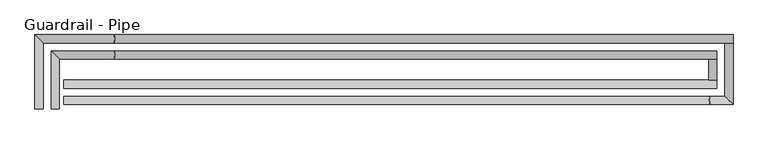
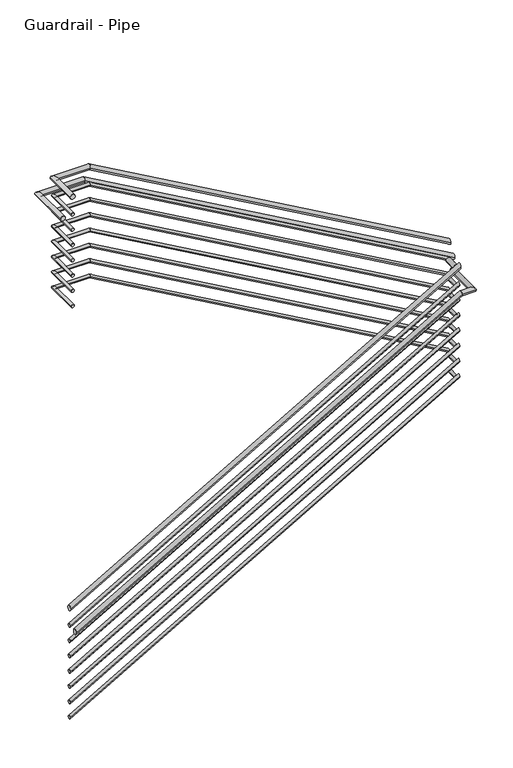
"""IFC4 building model written with IfcOpenShell, lengths in millimetres: railing geometry, Guardrail - Pipe."""

from ifc_helpers import new_model, si_unit, frame, origin, place, context, project, spatial, circle_curve, ellipse_curve, source, transform, mapped, element, save
from ifc_brep_helpers import plane_surface, cylinder_surface, advanced_brep


def guardrail_pipe_29f4b215(model_context):
    return source(origin(), model_context, "Body", "AdvancedBrep", [
        advanced_brep(
        [(2655.3404629, -22606.8340928, 1047.75), (2693.4404629, -22606.8340928, 1047.75), (2655.3404629, -22333.7840928, 1047.75), (2693.4404629, -22371.8840928, 1047.75), (2948.7488348, -22333.7840928, 1047.75), (2948.7488348, -22371.8840928, 1047.75), (5782.5952881, -22333.7840928, -565.1902738), (5782.5952881, -22371.8840928, -565.1902738)],
        [
            (0, 1, circle_curve(frame((2674.3904629, -22606.8340928, 1047.75), z_axis=(0.0, -1.0, 0.0), x_axis=(1.0, 0.0, 0.0)), 19.05)),
            (1, 0, circle_curve(frame((2674.3904629, -22606.8340928, 1047.75), z_axis=(0.0, -1.0, 0.0), x_axis=(1.0, 0.0, 0.0)), 19.05)),
            (0, 2),
            (2, 3, ellipse_curve(frame((2674.3904629, -22352.8340928, 1047.75), z_axis=(-0.7071067811865462, -0.7071067811865488, 0.0), x_axis=(0.7071067811865488, -0.7071067811865462, 0.0)), 26.9407684, 19.05)),
            (3, 1),
            (3, 2, ellipse_curve(frame((2674.3904629, -22352.8340928, 1047.75), z_axis=(-0.7071067811865462, -0.7071067811865488, 0.0), x_axis=(0.7071067811865488, -0.7071067811865462, 0.0)), 26.9407684, 19.05)),
            (2, 4),
            (4, 5, ellipse_curve(frame((2948.7488348, -22352.8340928, 1047.75), z_axis=(-0.9667180176221513, 0.0, 0.2558442385606876), x_axis=(-0.2558442385606876, 0.0, -0.9667180176221513)), 19.7058497, 19.05)),
            (5, 3),
            (5, 4, ellipse_curve(frame((2948.7488348, -22352.8340928, 1047.75), z_axis=(-0.9667180176221513, 0.0, 0.2558442385606876), x_axis=(-0.2558442385606876, 0.0, -0.9667180176221513)), 19.7058497, 19.05)),
            (6, 7, ellipse_curve(frame((5782.5952881, -22352.8340928, -565.1902738), z_axis=(1.0, 0.0, 0.0), x_axis=(0.0, 0.0, 1.0)), 21.9195433, 19.05)),
            (7, 6, ellipse_curve(frame((5782.5952881, -22352.8340928, -565.1902738), z_axis=(1.0, 0.0, 0.0), x_axis=(0.0, 0.0, 1.0)), 21.9195433, 19.05)),
            (4, 6),
            (7, 5),
        ],
        [
            plane_surface(frame((2674.3904629, -22606.8340928, 1066.8), z_axis=(0.0, -1.0, 0.0), x_axis=(0.0, 0.0, 1.0))),
            cylinder_surface(frame((2674.3904629, -22606.8340928, 1047.75), z_axis=(0.0, -1.0, 0.0), x_axis=(1.0, 0.0, 0.0)), 19.05),
            cylinder_surface(frame((2674.3904629, -22352.8340928, 1047.75), z_axis=(-1.0, 0.0, 0.0), x_axis=(0.0, -1.0, 0.0)), 19.05),
            plane_surface(frame((5782.5952881, -22352.8340928, -543.2707305), z_axis=(1.0, 0.0, 0.0), x_axis=(0.0, 1.0, 0.0))),
            cylinder_surface(frame((2944.367219, -22352.8340928, 1050.2438841), z_axis=(-0.8690874511906039, 0.0, 0.4946584702428734), x_axis=(0.0, -1.0, 0.0)), 19.05),
        ],
        [
            (0, [[1, 2]]),
            (1, [[-1, 3, 4, 5]]),
            (1, [[-2, -5, 6, -3]]),
            (2, [[-4, 7, 8, 9]]),
            (2, [[-6, -9, 10, -7]]),
            (3, [[11, 12]]),
            (4, [[-8, 13, -12, 14]]),
            (4, [[-10, -14, -11, -13]]),
        ],
    ),
        advanced_brep(
        [(5782.5952881, -22371.8840928, -701.5369565), (5744.4952881, -22371.8840928, -701.5369565), (5782.5952881, -22470.9587769, -701.5369565), (5744.4952881, -22470.9587769, -701.5369565)],
        [
            (0, 1, circle_curve(frame((5763.5452881, -22371.8840928, -701.5369565), z_axis=(0.0, 1.0, 0.0), x_axis=(-1.0, 0.0, 0.0)), 19.05)),
            (1, 0, circle_curve(frame((5763.5452881, -22371.8840928, -701.5369565), z_axis=(0.0, 1.0, 0.0), x_axis=(-1.0, 0.0, 0.0)), 19.05)),
            (2, 3, circle_curve(frame((5763.5452881, -22470.9587769, -701.5369565), z_axis=(0.0, -1.0, 0.0), x_axis=(-1.0, 0.0, 0.0)), 19.05)),
            (3, 2, circle_curve(frame((5763.5452881, -22470.9587769, -701.5369565), z_axis=(0.0, -1.0, 0.0), x_axis=(-1.0, 0.0, 0.0)), 19.05)),
            (0, 2),
            (3, 1),
        ],
        [
            plane_surface(frame((5763.5452881, -22371.8840928, -682.4869565), z_axis=(0.0, 1.0, 0.0), x_axis=(0.0, 0.0, -1.0))),
            plane_surface(frame((5763.5452881, -22470.9587769, -682.4869565), z_axis=(0.0, -1.0, 0.0), x_axis=(0.0, 0.0, -1.0))),
            cylinder_surface(frame((5763.5452881, -22371.8840928, -701.5369565), z_axis=(0.0, 1.0, 0.0), x_axis=(-1.0, 0.0, 0.0)), 19.05),
        ],
        [
            (0, [[1, 2]]),
            (1, [[3, 4]]),
            (2, [[-1, 5, -4, 6]]),
            (2, [[-2, -6, -3, -5]]),
        ],
    ),
        advanced_brep(
        [(5782.5952881, -22509.0587769, -684.400938), (5782.5952881, -22470.9587769, -684.400938), (2715.5452881, -22509.0587769, -2453.7666228), (2715.5452881, -22470.9587769, -2453.7666228)],
        [
            (0, 1, ellipse_curve(frame((5782.5952881, -22490.0087769, -684.400938), z_axis=(1.0, 0.0, 0.0), x_axis=(0.0, 0.0, 1.0)), 21.9927097, 19.05)),
            (1, 0, ellipse_curve(frame((5782.5952881, -22490.0087769, -684.400938), z_axis=(1.0, 0.0, 0.0), x_axis=(0.0, 0.0, 1.0)), 21.9927097, 19.05)),
            (2, 3, ellipse_curve(frame((2715.5452881, -22490.0087769, -2453.7666228), z_axis=(-1.0, 0.0, 0.0), x_axis=(0.0, 0.0, 1.0)), 21.9927097, 19.05)),
            (3, 2, ellipse_curve(frame((2715.5452881, -22490.0087769, -2453.7666228), z_axis=(-1.0, 0.0, 0.0), x_axis=(0.0, 0.0, 1.0)), 21.9927097, 19.05)),
            (0, 2),
            (3, 1),
        ],
        [
            plane_surface(frame((5782.5952881, -22490.0087769, -662.4082283), z_axis=(1.0, 0.0, 0.0), x_axis=(0.0, -1.0, 0.0))),
            plane_surface(frame((2715.5452881, -22490.0087769, -2431.773913), z_axis=(-1.0, 0.0, 0.0), x_axis=(0.0, -1.0, 0.0))),
            cylinder_surface(frame((5792.1146527, -22490.0087769, -678.9092646), z_axis=(0.866196128162294, 0.0, 0.49970418004720646), x_axis=(0.0, 1.0, 0.0)), 19.05),
        ],
        [
            (0, [[1, 2]]),
            (1, [[3, 4]]),
            (2, [[-1, 5, -4, 6]]),
            (2, [[-2, -6, -3, -5]]),
        ],
    ),
        advanced_brep(
        [(2661.6904629, -22606.8340928, 901.7), (2687.0904629, -22606.8340928, 901.7), (2661.6904629, -22340.1340928, 901.7), (2687.0904629, -22365.5340928, 901.7), (2950.4293775, -22340.1340928, 901.7), (2950.4293775, -22365.5340928, 901.7), (5776.2452881, -22340.1340928, -706.6695301), (5776.2452881, -22365.5340928, -706.6695301)],
        [
            (0, 1, circle_curve(frame((2674.3904629, -22606.8340928, 901.7), z_axis=(0.0, -1.0, 0.0), x_axis=(1.0, 0.0, 0.0)), 12.7)),
            (1, 0, circle_curve(frame((2674.3904629, -22606.8340928, 901.7), z_axis=(0.0, -1.0, 0.0), x_axis=(1.0, 0.0, 0.0)), 12.7)),
            (0, 2),
            (2, 3, ellipse_curve(frame((2674.3904629, -22352.8340928, 901.7), z_axis=(-0.7071067811865462, -0.7071067811865488, 0.0), x_axis=(0.7071067811865488, -0.7071067811865462, 0.0)), 17.9605122, 12.7)),
            (3, 1),
            (3, 2, ellipse_curve(frame((2674.3904629, -22352.8340928, 901.7), z_axis=(-0.7071067811865462, -0.7071067811865488, 0.0), x_axis=(0.7071067811865488, -0.7071067811865462, 0.0)), 17.9605122, 12.7)),
            (2, 4),
            (4, 5, ellipse_curve(frame((2950.4293775, -22352.8340928, 901.7), z_axis=(-0.9667180176221513, 0.0, 0.2558442385606876), x_axis=(-0.2558442385606876, 0.0, -0.9667180176221513)), 13.1372332, 12.7)),
            (5, 3),
            (5, 4, ellipse_curve(frame((2950.4293775, -22352.8340928, 901.7), z_axis=(-0.9667180176221513, 0.0, 0.2558442385606876), x_axis=(-0.2558442385606876, 0.0, -0.9667180176221513)), 13.1372332, 12.7)),
            (6, 7, ellipse_curve(frame((5776.2452881, -22352.8340928, -706.6695301), z_axis=(1.0, 0.0, 0.0), x_axis=(0.0, 0.0, 1.0)), 14.6130289, 12.7)),
            (7, 6, ellipse_curve(frame((5776.2452881, -22352.8340928, -706.6695301), z_axis=(1.0, 0.0, 0.0), x_axis=(0.0, 0.0, 1.0)), 14.6130289, 12.7)),
            (4, 6),
            (7, 5),
        ],
        [
            plane_surface(frame((2674.3904629, -22606.8340928, 914.4), z_axis=(0.0, -1.0, 0.0), x_axis=(0.0, 0.0, 1.0))),
            cylinder_surface(frame((2674.3904629, -22606.8340928, 901.7), z_axis=(0.0, -1.0, 0.0), x_axis=(1.0, 0.0, 0.0)), 12.7),
            cylinder_surface(frame((2674.3904629, -22352.8340928, 901.7), z_axis=(-1.0, 0.0, 0.0), x_axis=(0.0, -1.0, 0.0)), 12.7),
            plane_surface(frame((5776.2452881, -22352.8340928, -692.0565013), z_axis=(1.0, 0.0, 0.0), x_axis=(0.0, 1.0, 0.0))),
            cylinder_surface(frame((2947.5083003, -22352.8340928, 903.3625894), z_axis=(-0.8690874511906039, 0.0, 0.4946584702428734), x_axis=(0.0, -1.0, 0.0)), 12.7),
        ],
        [
            (0, [[1, 2]]),
            (1, [[-1, 3, 4, 5]]),
            (1, [[-2, -5, 6, -3]]),
            (2, [[-4, 7, 8, 9]]),
            (2, [[-6, -9, 10, -7]]),
            (3, [[11, 12]]),
            (4, [[-8, 13, -12, 14]]),
            (4, [[-10, -14, -11, -13]]),
        ],
    ),
        advanced_brep(
        [(5776.2452881, -22365.5340928, -847.5869565), (5750.8452881, -22365.5340928, -847.5869565), (5776.2452881, -22477.3087769, -847.5869565), (5750.8452881, -22477.3087769, -847.5869565)],
        [
            (0, 1, circle_curve(frame((5763.5452881, -22365.5340928, -847.5869565), z_axis=(0.0, 1.0, 0.0), x_axis=(-1.0, 0.0, 0.0)), 12.7)),
            (1, 0, circle_curve(frame((5763.5452881, -22365.5340928, -847.5869565), z_axis=(0.0, 1.0, 0.0), x_axis=(-1.0, 0.0, 0.0)), 12.7)),
            (2, 3, circle_curve(frame((5763.5452881, -22477.3087769, -847.5869565), z_axis=(0.0, -1.0, 0.0), x_axis=(-1.0, 0.0, 0.0)), 12.7)),
            (3, 2, circle_curve(frame((5763.5452881, -22477.3087769, -847.5869565), z_axis=(0.0, -1.0, 0.0), x_axis=(-1.0, 0.0, 0.0)), 12.7)),
            (0, 2),
            (3, 1),
        ],
        [
            plane_surface(frame((5763.5452881, -22365.5340928, -834.8869565), z_axis=(0.0, 1.0, 0.0), x_axis=(0.0, 0.0, -1.0))),
            plane_surface(frame((5763.5452881, -22477.3087769, -834.8869565), z_axis=(0.0, -1.0, 0.0), x_axis=(0.0, 0.0, -1.0))),
            cylinder_surface(frame((5763.5452881, -22365.5340928, -847.5869565), z_axis=(0.0, 1.0, 0.0), x_axis=(-1.0, 0.0, 0.0)), 12.7),
        ],
        [
            (0, [[1, 2]]),
            (1, [[3, 4]]),
            (2, [[-1, 5, -4, 6]]),
            (2, [[-2, -6, -3, -5]]),
        ],
    ),
        advanced_brep(
        [(5776.2452881, -22502.7087769, -833.1333178), (5776.2452881, -22477.3087769, -833.1333178), (2715.5452881, -22502.7087769, -2598.8357195), (2715.5452881, -22477.3087769, -2598.8357195)],
        [
            (0, 1, ellipse_curve(frame((5776.2452881, -22490.0087769, -833.1333178), z_axis=(1.0, 0.0, 0.0), x_axis=(0.0, 0.0, 1.0)), 14.6618065, 12.7)),
            (1, 0, ellipse_curve(frame((5776.2452881, -22490.0087769, -833.1333178), z_axis=(1.0, 0.0, 0.0), x_axis=(0.0, 0.0, 1.0)), 14.6618065, 12.7)),
            (2, 3, ellipse_curve(frame((2715.5452881, -22490.0087769, -2598.8357195), z_axis=(-1.0, 0.0, 0.0), x_axis=(0.0, 0.0, 1.0)), 14.6618065, 12.7)),
            (3, 2, ellipse_curve(frame((2715.5452881, -22490.0087769, -2598.8357195), z_axis=(-1.0, 0.0, 0.0), x_axis=(0.0, 0.0, 1.0)), 14.6618065, 12.7)),
            (0, 2),
            (3, 1),
        ],
        [
            plane_surface(frame((5776.2452881, -22490.0087769, -818.4715113), z_axis=(1.0, 0.0, 0.0), x_axis=(0.0, -1.0, 0.0))),
            plane_surface(frame((2715.5452881, -22490.0087769, -2584.173913), z_axis=(-1.0, 0.0, 0.0), x_axis=(0.0, -1.0, 0.0))),
            cylinder_surface(frame((5782.5915312, -22490.0087769, -829.4722021), z_axis=(0.866196128162294, 0.0, 0.49970418004720646), x_axis=(0.0, 1.0, 0.0)), 12.7),
        ],
        [
            (0, [[1, 2]]),
            (1, [[3, 4]]),
            (2, [[-1, 5, -4, 6]]),
            (2, [[-2, -6, -3, -5]]),
        ],
    ),
        advanced_brep(
        [(2579.1404629, -22606.8340928, 895.35), (2617.2404629, -22606.8340928, 895.35), (2579.1404629, -22257.5840928, 895.35), (2617.2404629, -22295.6840928, 895.35), (2948.7488348, -22257.5840928, 895.35), (2948.7488348, -22295.6840928, 895.35), (5858.7952881, -22257.5840928, -760.9610248), (5858.7952881, -22295.6840928, -760.9610248)],
        [
            (0, 1, circle_curve(frame((2598.1904629, -22606.8340928, 895.35), z_axis=(0.0, -1.0, 0.0), x_axis=(1.0, 0.0, 0.0)), 19.05)),
            (1, 0, circle_curve(frame((2598.1904629, -22606.8340928, 895.35), z_axis=(0.0, -1.0, 0.0), x_axis=(1.0, 0.0, 0.0)), 19.05)),
            (0, 2),
            (2, 3, ellipse_curve(frame((2598.1904629, -22276.6340928, 895.35), z_axis=(-0.7071067811865462, -0.7071067811865488, 0.0), x_axis=(0.7071067811865488, -0.7071067811865462, 0.0)), 26.9407684, 19.05)),
            (3, 1),
            (3, 2, ellipse_curve(frame((2598.1904629, -22276.6340928, 895.35), z_axis=(-0.7071067811865462, -0.7071067811865488, 0.0), x_axis=(0.7071067811865488, -0.7071067811865462, 0.0)), 26.9407684, 19.05)),
            (2, 4),
            (4, 5, ellipse_curve(frame((2948.7488348, -22276.6340928, 895.35), z_axis=(-0.9667180176221513, 0.0, 0.2558442385606876), x_axis=(-0.2558442385606876, 0.0, -0.9667180176221513)), 19.7058497, 19.05)),
            (5, 3),
            (5, 4, ellipse_curve(frame((2948.7488348, -22276.6340928, 895.35), z_axis=(-0.9667180176221513, 0.0, 0.2558442385606876), x_axis=(-0.2558442385606876, 0.0, -0.9667180176221513)), 19.7058497, 19.05)),
            (6, 7, ellipse_curve(frame((5858.7952881, -22276.6340928, -760.9610248), z_axis=(1.0, 0.0, 0.0), x_axis=(0.0, 0.0, 1.0)), 21.9195433, 19.05)),
            (7, 6, ellipse_curve(frame((5858.7952881, -22276.6340928, -760.9610248), z_axis=(1.0, 0.0, 0.0), x_axis=(0.0, 0.0, 1.0)), 21.9195433, 19.05)),
            (4, 6),
            (7, 5),
        ],
        [
            plane_surface(frame((2598.1904629, -22606.8340928, 914.4), z_axis=(0.0, -1.0, 0.0), x_axis=(0.0, 0.0, 1.0))),
            cylinder_surface(frame((2598.1904629, -22606.8340928, 895.35), z_axis=(0.0, -1.0, 0.0), x_axis=(1.0, 0.0, 0.0)), 19.05),
            cylinder_surface(frame((2598.1904629, -22276.6340928, 895.35), z_axis=(-1.0, 0.0, 0.0), x_axis=(0.0, -1.0, 0.0)), 19.05),
            plane_surface(frame((5858.7952881, -22276.6340928, -739.0414815), z_axis=(1.0, 0.0, 0.0), x_axis=(0.0, 1.0, 0.0))),
            cylinder_surface(frame((2944.367219, -22276.6340928, 897.8438841), z_axis=(-0.8690874511906039, 0.0, 0.49465847024287335), x_axis=(0.0, -1.0, 0.0)), 19.05),
        ],
        [
            (0, [[1, 2]]),
            (1, [[-1, 3, 4, 5]]),
            (1, [[-2, -5, 6, -3]]),
            (2, [[-4, 7, 8, 9]]),
            (2, [[-6, -9, 10, -7]]),
            (3, [[11, 12]]),
            (4, [[-8, 13, -12, 14]]),
            (4, [[-10, -14, -11, -13]]),
        ],
    ),
        advanced_brep(
        [(5858.7952881, -22295.6840928, -853.9369565), (5820.6952881, -22295.6840928, -853.9369565), (5858.7952881, -22585.2587769, -853.9369565), (5820.6952881, -22547.1587769, -853.9369565), (5752.8914083, -22585.2587769, -853.9369565), (5752.8914083, -22547.1587769, -853.9369565), (2715.5452881, -22585.2587769, -2606.1666228), (2715.5452881, -22547.1587769, -2606.1666228)],
        [
            (0, 1, circle_curve(frame((5839.7452881, -22295.6840928, -853.9369565), z_axis=(0.0, 1.0, 0.0), x_axis=(-1.0, 0.0, 0.0)), 19.05)),
            (1, 0, circle_curve(frame((5839.7452881, -22295.6840928, -853.9369565), z_axis=(0.0, 1.0, 0.0), x_axis=(-1.0, 0.0, 0.0)), 19.05)),
            (0, 2),
            (2, 3, ellipse_curve(frame((5839.7452881, -22566.2087769, -853.9369565), z_axis=(0.7071067811865487, 0.7071067811865464, 0.0), x_axis=(-0.7071067811865464, 0.7071067811865487, 0.0)), 26.9407684, 19.05)),
            (3, 1),
            (3, 2, ellipse_curve(frame((5839.7452881, -22566.2087769, -853.9369565), z_axis=(0.7071067811865487, 0.7071067811865464, 0.0), x_axis=(-0.7071067811865464, 0.7071067811865487, 0.0)), 26.9407684, 19.05)),
            (2, 4),
            (4, 5, ellipse_curve(frame((5752.8914083, -22566.2087769, -853.9369565), z_axis=(0.9659700119988959, 0.0, 0.2586540854478295), x_axis=(0.25865408544782903, 0.0, -0.9659700119988959)), 19.7211091, 19.05)),
            (5, 3),
            (5, 4, ellipse_curve(frame((5752.8914083, -22566.2087769, -853.9369565), z_axis=(0.9659700119988959, 0.0, 0.2586540854478295), x_axis=(0.25865408544782903, 0.0, -0.9659700119988959)), 19.7211091, 19.05)),
            (6, 7, ellipse_curve(frame((2715.5452881, -22566.2087769, -2606.1666228), z_axis=(-1.0, 0.0, 0.0), x_axis=(0.0, 0.0, 1.0)), 21.9927097, 19.05)),
            (7, 6, ellipse_curve(frame((2715.5452881, -22566.2087769, -2606.1666228), z_axis=(-1.0, 0.0, 0.0), x_axis=(0.0, 0.0, 1.0)), 21.9927097, 19.05)),
            (4, 6),
            (7, 5),
        ],
        [
            plane_surface(frame((5839.7452881, -22295.6840928, -834.8869565), z_axis=(0.0, 1.0, 0.0), x_axis=(0.0, 0.0, -1.0))),
            cylinder_surface(frame((5839.7452881, -22295.6840928, -853.9369565), z_axis=(0.0, 1.0, 0.0), x_axis=(-1.0, 0.0, 0.0)), 19.05),
            cylinder_surface(frame((5839.7452881, -22566.2087769, -853.9369565), z_axis=(1.0, 0.0, 0.0), x_axis=(0.0, 1.0, 0.0)), 19.05),
            plane_surface(frame((2715.5452881, -22566.2087769, -2584.173913), z_axis=(-1.0, 0.0, 0.0), x_axis=(0.0, -1.0, 0.0))),
            cylinder_surface(frame((5757.3098275, -22566.2087769, -851.3879928), z_axis=(0.8661961281622939, 0.0, 0.49970418004720646), x_axis=(0.0, 1.0, 0.0)), 19.05),
        ],
        [
            (0, [[1, 2]]),
            (1, [[-1, 3, 4, 5]]),
            (1, [[-2, -5, 6, -3]]),
            (2, [[-4, 7, 8, 9]]),
            (2, [[-6, -9, 10, -7]]),
            (3, [[11, 12]]),
            (4, [[-8, 13, -12, 14]]),
            (4, [[-10, -14, -11, -13]]),
        ],
    ),
        advanced_brep(
        [(2661.6904629, -22606.8340928, 774.7), (2687.0904629, -22606.8340928, 774.7), (2661.6904629, -22340.1340928, 774.7), (2687.0904629, -22365.5340928, 774.7), (2950.4293775, -22340.1340928, 774.7), (2950.4293775, -22365.5340928, 774.7), (5776.2452881, -22340.1340928, -833.6695301), (5776.2452881, -22365.5340928, -833.6695301)],
        [
            (0, 1, circle_curve(frame((2674.3904629, -22606.8340928, 774.7), z_axis=(0.0, -1.0, 0.0), x_axis=(1.0, 0.0, 0.0)), 12.7)),
            (1, 0, circle_curve(frame((2674.3904629, -22606.8340928, 774.7), z_axis=(0.0, -1.0, 0.0), x_axis=(1.0, 0.0, 0.0)), 12.7)),
            (0, 2),
            (2, 3, ellipse_curve(frame((2674.3904629, -22352.8340928, 774.7), z_axis=(-0.7071067811865462, -0.7071067811865488, 0.0), x_axis=(0.7071067811865488, -0.7071067811865462, 0.0)), 17.9605122, 12.7)),
            (3, 1),
            (3, 2, ellipse_curve(frame((2674.3904629, -22352.8340928, 774.7), z_axis=(-0.7071067811865462, -0.7071067811865488, 0.0), x_axis=(0.7071067811865488, -0.7071067811865462, 0.0)), 17.9605122, 12.7)),
            (2, 4),
            (4, 5, ellipse_curve(frame((2950.4293775, -22352.8340928, 774.7), z_axis=(-0.9667180176221513, 0.0, 0.2558442385606876), x_axis=(-0.2558442385606876, 0.0, -0.9667180176221513)), 13.1372332, 12.7)),
            (5, 3),
            (5, 4, ellipse_curve(frame((2950.4293775, -22352.8340928, 774.7), z_axis=(-0.9667180176221513, 0.0, 0.2558442385606876), x_axis=(-0.2558442385606876, 0.0, -0.9667180176221513)), 13.1372332, 12.7)),
            (6, 7, ellipse_curve(frame((5776.2452881, -22352.8340928, -833.6695301), z_axis=(1.0, 0.0, 0.0), x_axis=(0.0, 0.0, 1.0)), 14.6130289, 12.7)),
            (7, 6, ellipse_curve(frame((5776.2452881, -22352.8340928, -833.6695301), z_axis=(1.0, 0.0, 0.0), x_axis=(0.0, 0.0, 1.0)), 14.6130289, 12.7)),
            (4, 6),
            (7, 5),
        ],
        [
            plane_surface(frame((2674.3904629, -22606.8340928, 787.4), z_axis=(0.0, -1.0, 0.0), x_axis=(0.0, 0.0, 1.0))),
            cylinder_surface(frame((2674.3904629, -22606.8340928, 774.7), z_axis=(0.0, -1.0, 0.0), x_axis=(1.0, 0.0, 0.0)), 12.7),
            cylinder_surface(frame((2674.3904629, -22352.8340928, 774.7), z_axis=(-1.0, 0.0, 0.0), x_axis=(0.0, -1.0, 0.0)), 12.7),
            plane_surface(frame((5776.2452881, -22352.8340928, -819.0565013), z_axis=(1.0, 0.0, 0.0), x_axis=(0.0, 1.0, 0.0))),
            cylinder_surface(frame((2947.5083003, -22352.8340928, 776.3625894), z_axis=(-0.8690874511906039, 0.0, 0.4946584702428734), x_axis=(0.0, -1.0, 0.0)), 12.7),
        ],
        [
            (0, [[1, 2]]),
            (1, [[-1, 3, 4, 5]]),
            (1, [[-2, -5, 6, -3]]),
            (2, [[-4, 7, 8, 9]]),
            (2, [[-6, -9, 10, -7]]),
            (3, [[11, 12]]),
            (4, [[-8, 13, -12, 14]]),
            (4, [[-10, -14, -11, -13]]),
        ],
    ),
        advanced_brep(
        [(5776.2452881, -22365.5340928, -974.5869565), (5750.8452881, -22365.5340928, -974.5869565), (5776.2452881, -22477.3087769, -974.5869565), (5750.8452881, -22477.3087769, -974.5869565)],
        [
            (0, 1, circle_curve(frame((5763.5452881, -22365.5340928, -974.5869565), z_axis=(0.0, 1.0, 0.0), x_axis=(-1.0, 0.0, 0.0)), 12.7)),
            (1, 0, circle_curve(frame((5763.5452881, -22365.5340928, -974.5869565), z_axis=(0.0, 1.0, 0.0), x_axis=(-1.0, 0.0, 0.0)), 12.7)),
            (2, 3, circle_curve(frame((5763.5452881, -22477.3087769, -974.5869565), z_axis=(0.0, -1.0, 0.0), x_axis=(-1.0, 0.0, 0.0)), 12.7)),
            (3, 2, circle_curve(frame((5763.5452881, -22477.3087769, -974.5869565), z_axis=(0.0, -1.0, 0.0), x_axis=(-1.0, 0.0, 0.0)), 12.7)),
            (0, 2),
            (3, 1),
        ],
        [
            plane_surface(frame((5763.5452881, -22365.5340928, -961.8869565), z_axis=(0.0, 1.0, 0.0), x_axis=(0.0, 0.0, -1.0))),
            plane_surface(frame((5763.5452881, -22477.3087769, -961.8869565), z_axis=(0.0, -1.0, 0.0), x_axis=(0.0, 0.0, -1.0))),
            cylinder_surface(frame((5763.5452881, -22365.5340928, -974.5869565), z_axis=(0.0, 1.0, 0.0), x_axis=(-1.0, 0.0, 0.0)), 12.7),
        ],
        [
            (0, [[1, 2]]),
            (1, [[3, 4]]),
            (2, [[-1, 5, -4, 6]]),
            (2, [[-2, -6, -3, -5]]),
        ],
    ),
        advanced_brep(
        [(5776.2452881, -22502.7087769, -960.1333178), (5776.2452881, -22477.3087769, -960.1333178), (2715.5452881, -22502.7087769, -2725.8357195), (2715.5452881, -22477.3087769, -2725.8357195)],
        [
            (0, 1, ellipse_curve(frame((5776.2452881, -22490.0087769, -960.1333178), z_axis=(1.0, 0.0, 0.0), x_axis=(0.0, 0.0, 1.0)), 14.6618065, 12.7)),
            (1, 0, ellipse_curve(frame((5776.2452881, -22490.0087769, -960.1333178), z_axis=(1.0, 0.0, 0.0), x_axis=(0.0, 0.0, 1.0)), 14.6618065, 12.7)),
            (2, 3, ellipse_curve(frame((2715.5452881, -22490.0087769, -2725.8357195), z_axis=(-1.0, 0.0, 0.0), x_axis=(0.0, 0.0, 1.0)), 14.6618065, 12.7)),
            (3, 2, ellipse_curve(frame((2715.5452881, -22490.0087769, -2725.8357195), z_axis=(-1.0, 0.0, 0.0), x_axis=(0.0, 0.0, 1.0)), 14.6618065, 12.7)),
            (0, 2),
            (3, 1),
        ],
        [
            plane_surface(frame((5776.2452881, -22490.0087769, -945.4715113), z_axis=(1.0, 0.0, 0.0), x_axis=(0.0, -1.0, 0.0))),
            plane_surface(frame((2715.5452881, -22490.0087769, -2711.173913), z_axis=(-1.0, 0.0, 0.0), x_axis=(0.0, -1.0, 0.0))),
            cylinder_surface(frame((5782.5915312, -22490.0087769, -956.4722021), z_axis=(0.866196128162294, 0.0, 0.4997041800472064), x_axis=(0.0, 1.0, 0.0)), 12.7),
        ],
        [
            (0, [[1, 2]]),
            (1, [[3, 4]]),
            (2, [[-1, 5, -4, 6]]),
            (2, [[-2, -6, -3, -5]]),
        ],
    ),
        advanced_brep(
        [(2661.6904629, -22606.8340928, 647.7), (2687.0904629, -22606.8340928, 647.7), (2661.6904629, -22340.1340928, 647.7), (2687.0904629, -22365.5340928, 647.7), (2950.4293775, -22340.1340928, 647.7), (2950.4293775, -22365.5340928, 647.7), (5776.2452881, -22340.1340928, -960.6695301), (5776.2452881, -22365.5340928, -960.6695301)],
        [
            (0, 1, circle_curve(frame((2674.3904629, -22606.8340928, 647.7), z_axis=(0.0, -1.0, 0.0), x_axis=(1.0, 0.0, 0.0)), 12.7)),
            (1, 0, circle_curve(frame((2674.3904629, -22606.8340928, 647.7), z_axis=(0.0, -1.0, 0.0), x_axis=(1.0, 0.0, 0.0)), 12.7)),
            (0, 2),
            (2, 3, ellipse_curve(frame((2674.3904629, -22352.8340928, 647.7), z_axis=(-0.7071067811865462, -0.7071067811865488, 0.0), x_axis=(0.7071067811865488, -0.7071067811865462, 0.0)), 17.9605122, 12.7)),
            (3, 1),
            (3, 2, ellipse_curve(frame((2674.3904629, -22352.8340928, 647.7), z_axis=(-0.7071067811865462, -0.7071067811865488, 0.0), x_axis=(0.7071067811865488, -0.7071067811865462, 0.0)), 17.9605122, 12.7)),
            (2, 4),
            (4, 5, ellipse_curve(frame((2950.4293775, -22352.8340928, 647.7), z_axis=(-0.9667180176221513, 0.0, 0.2558442385606876), x_axis=(-0.2558442385606876, 0.0, -0.9667180176221513)), 13.1372332, 12.7)),
            (5, 3),
            (5, 4, ellipse_curve(frame((2950.4293775, -22352.8340928, 647.7), z_axis=(-0.9667180176221513, 0.0, 0.2558442385606876), x_axis=(-0.2558442385606876, 0.0, -0.9667180176221513)), 13.1372332, 12.7)),
            (6, 7, ellipse_curve(frame((5776.2452881, -22352.8340928, -960.6695301), z_axis=(1.0, 0.0, 0.0), x_axis=(0.0, 0.0, 1.0)), 14.6130289, 12.7)),
            (7, 6, ellipse_curve(frame((5776.2452881, -22352.8340928, -960.6695301), z_axis=(1.0, 0.0, 0.0), x_axis=(0.0, 0.0, 1.0)), 14.6130289, 12.7)),
            (4, 6),
            (7, 5),
        ],
        [
            plane_surface(frame((2674.3904629, -22606.8340928, 660.4), z_axis=(0.0, -1.0, 0.0), x_axis=(0.0, 0.0, 1.0))),
            cylinder_surface(frame((2674.3904629, -22606.8340928, 647.7), z_axis=(0.0, -1.0, 0.0), x_axis=(1.0, 0.0, 0.0)), 12.7),
            cylinder_surface(frame((2674.3904629, -22352.8340928, 647.7), z_axis=(-1.0, 0.0, 0.0), x_axis=(0.0, -1.0, 0.0)), 12.7),
            plane_surface(frame((5776.2452881, -22352.8340928, -946.0565013), z_axis=(1.0, 0.0, 0.0), x_axis=(0.0, 1.0, 0.0))),
            cylinder_surface(frame((2947.5083003, -22352.8340928, 649.3625894), z_axis=(-0.8690874511906039, 0.0, 0.4946584702428734), x_axis=(0.0, -1.0, 0.0)), 12.7),
        ],
        [
            (0, [[1, 2]]),
            (1, [[-1, 3, 4, 5]]),
            (1, [[-2, -5, 6, -3]]),
            (2, [[-4, 7, 8, 9]]),
            (2, [[-6, -9, 10, -7]]),
            (3, [[11, 12]]),
            (4, [[-8, 13, -12, 14]]),
            (4, [[-10, -14, -11, -13]]),
        ],
    ),
        advanced_brep(
        [(5776.2452881, -22365.5340928, -1101.5869565), (5750.8452881, -22365.5340928, -1101.5869565), (5776.2452881, -22477.3087769, -1101.5869565), (5750.8452881, -22477.3087769, -1101.5869565)],
        [
            (0, 1, circle_curve(frame((5763.5452881, -22365.5340928, -1101.5869565), z_axis=(0.0, 1.0, 0.0), x_axis=(-1.0, 0.0, 0.0)), 12.7)),
            (1, 0, circle_curve(frame((5763.5452881, -22365.5340928, -1101.5869565), z_axis=(0.0, 1.0, 0.0), x_axis=(-1.0, 0.0, 0.0)), 12.7)),
            (2, 3, circle_curve(frame((5763.5452881, -22477.3087769, -1101.5869565), z_axis=(0.0, -1.0, 0.0), x_axis=(-1.0, 0.0, 0.0)), 12.7)),
            (3, 2, circle_curve(frame((5763.5452881, -22477.3087769, -1101.5869565), z_axis=(0.0, -1.0, 0.0), x_axis=(-1.0, 0.0, 0.0)), 12.7)),
            (0, 2),
            (3, 1),
        ],
        [
            plane_surface(frame((5763.5452881, -22365.5340928, -1088.8869565), z_axis=(0.0, 1.0, 0.0), x_axis=(0.0, 0.0, -1.0))),
            plane_surface(frame((5763.5452881, -22477.3087769, -1088.8869565), z_axis=(0.0, -1.0, 0.0), x_axis=(0.0, 0.0, -1.0))),
            cylinder_surface(frame((5763.5452881, -22365.5340928, -1101.5869565), z_axis=(0.0, 1.0, 0.0), x_axis=(-1.0, 0.0, 0.0)), 12.7),
        ],
        [
            (0, [[1, 2]]),
            (1, [[3, 4]]),
            (2, [[-1, 5, -4, 6]]),
            (2, [[-2, -6, -3, -5]]),
        ],
    ),
        advanced_brep(
        [(5776.2452881, -22502.7087769, -1087.1333178), (5776.2452881, -22477.3087769, -1087.1333178), (2715.5452881, -22502.7087769, -2852.8357195), (2715.5452881, -22477.3087769, -2852.8357195)],
        [
            (0, 1, ellipse_curve(frame((5776.2452881, -22490.0087769, -1087.1333178), z_axis=(1.0, 0.0, 0.0), x_axis=(0.0, 0.0, 1.0)), 14.6618065, 12.7)),
            (1, 0, ellipse_curve(frame((5776.2452881, -22490.0087769, -1087.1333178), z_axis=(1.0, 0.0, 0.0), x_axis=(0.0, 0.0, 1.0)), 14.6618065, 12.7)),
            (2, 3, ellipse_curve(frame((2715.5452881, -22490.0087769, -2852.8357195), z_axis=(-1.0, 0.0, 0.0), x_axis=(0.0, 0.0, 1.0)), 14.6618065, 12.7)),
            (3, 2, ellipse_curve(frame((2715.5452881, -22490.0087769, -2852.8357195), z_axis=(-1.0, 0.0, 0.0), x_axis=(0.0, 0.0, 1.0)), 14.6618065, 12.7)),
            (0, 2),
            (3, 1),
        ],
        [
            plane_surface(frame((5776.2452881, -22490.0087769, -1072.4715113), z_axis=(1.0, 0.0, 0.0), x_axis=(0.0, -1.0, 0.0))),
            plane_surface(frame((2715.5452881, -22490.0087769, -2838.173913), z_axis=(-1.0, 0.0, 0.0), x_axis=(0.0, -1.0, 0.0))),
            cylinder_surface(frame((5782.5915312, -22490.0087769, -1083.4722021), z_axis=(0.8661961281622939, 0.0, 0.49970418004720646), x_axis=(0.0, 1.0, 0.0)), 12.7),
        ],
        [
            (0, [[1, 2]]),
            (1, [[3, 4]]),
            (2, [[-1, 5, -4, 6]]),
            (2, [[-2, -6, -3, -5]]),
        ],
    ),
        advanced_brep(
        [(2661.6904629, -22606.8340928, 520.7), (2687.0904629, -22606.8340928, 520.7), (2661.6904629, -22340.1340928, 520.7), (2687.0904629, -22365.5340928, 520.7), (2950.4293775, -22340.1340928, 520.7), (2950.4293775, -22365.5340928, 520.7), (5776.2452881, -22340.1340928, -1087.6695301), (5776.2452881, -22365.5340928, -1087.6695301)],
        [
            (0, 1, circle_curve(frame((2674.3904629, -22606.8340928, 520.7), z_axis=(0.0, -1.0, 0.0), x_axis=(1.0, 0.0, 0.0)), 12.7)),
            (1, 0, circle_curve(frame((2674.3904629, -22606.8340928, 520.7), z_axis=(0.0, -1.0, 0.0), x_axis=(1.0, 0.0, 0.0)), 12.7)),
            (0, 2),
            (2, 3, ellipse_curve(frame((2674.3904629, -22352.8340928, 520.7), z_axis=(-0.7071067811865462, -0.7071067811865488, 0.0), x_axis=(0.7071067811865488, -0.7071067811865462, 0.0)), 17.9605122, 12.7)),
            (3, 1),
            (3, 2, ellipse_curve(frame((2674.3904629, -22352.8340928, 520.7), z_axis=(-0.7071067811865462, -0.7071067811865488, 0.0), x_axis=(0.7071067811865488, -0.7071067811865462, 0.0)), 17.9605122, 12.7)),
            (2, 4),
            (4, 5, ellipse_curve(frame((2950.4293775, -22352.8340928, 520.7), z_axis=(-0.9667180176221513, 0.0, 0.2558442385606876), x_axis=(-0.2558442385606876, 0.0, -0.9667180176221513)), 13.1372332, 12.7)),
            (5, 3),
            (5, 4, ellipse_curve(frame((2950.4293775, -22352.8340928, 520.7), z_axis=(-0.9667180176221513, 0.0, 0.2558442385606876), x_axis=(-0.2558442385606876, 0.0, -0.9667180176221513)), 13.1372332, 12.7)),
            (6, 7, ellipse_curve(frame((5776.2452881, -22352.8340928, -1087.6695301), z_axis=(1.0, 0.0, 0.0), x_axis=(0.0, 0.0, 1.0)), 14.6130289, 12.7)),
            (7, 6, ellipse_curve(frame((5776.2452881, -22352.8340928, -1087.6695301), z_axis=(1.0, 0.0, 0.0), x_axis=(0.0, 0.0, 1.0)), 14.6130289, 12.7)),
            (4, 6),
            (7, 5),
        ],
        [
            plane_surface(frame((2674.3904629, -22606.8340928, 533.4), z_axis=(0.0, -1.0, 0.0), x_axis=(0.0, 0.0, 1.0))),
            cylinder_surface(frame((2674.3904629, -22606.8340928, 520.7), z_axis=(0.0, -1.0, 0.0), x_axis=(1.0, 0.0, 0.0)), 12.7),
            cylinder_surface(frame((2674.3904629, -22352.8340928, 520.7), z_axis=(-1.0, 0.0, 0.0), x_axis=(0.0, -1.0, 0.0)), 12.7),
            plane_surface(frame((5776.2452881, -22352.8340928, -1073.0565013), z_axis=(1.0, 0.0, 0.0), x_axis=(0.0, 1.0, 0.0))),
            cylinder_surface(frame((2947.5083003, -22352.8340928, 522.3625894), z_axis=(-0.8690874511906039, 0.0, 0.4946584702428734), x_axis=(0.0, -1.0, 0.0)), 12.7),
        ],
        [
            (0, [[1, 2]]),
            (1, [[-1, 3, 4, 5]]),
            (1, [[-2, -5, 6, -3]]),
            (2, [[-4, 7, 8, 9]]),
            (2, [[-6, -9, 10, -7]]),
            (3, [[11, 12]]),
            (4, [[-8, 13, -12, 14]]),
            (4, [[-10, -14, -11, -13]]),
        ],
    ),
        advanced_brep(
        [(5776.2452881, -22365.5340928, -1228.5869565), (5750.8452881, -22365.5340928, -1228.5869565), (5776.2452881, -22477.3087769, -1228.5869565), (5750.8452881, -22477.3087769, -1228.5869565)],
        [
            (0, 1, circle_curve(frame((5763.5452881, -22365.5340928, -1228.5869565), z_axis=(0.0, 1.0, 0.0), x_axis=(-1.0, 0.0, 0.0)), 12.7)),
            (1, 0, circle_curve(frame((5763.5452881, -22365.5340928, -1228.5869565), z_axis=(0.0, 1.0, 0.0), x_axis=(-1.0, 0.0, 0.0)), 12.7)),
            (2, 3, circle_curve(frame((5763.5452881, -22477.3087769, -1228.5869565), z_axis=(0.0, -1.0, 0.0), x_axis=(-1.0, 0.0, 0.0)), 12.7)),
            (3, 2, circle_curve(frame((5763.5452881, -22477.3087769, -1228.5869565), z_axis=(0.0, -1.0, 0.0), x_axis=(-1.0, 0.0, 0.0)), 12.7)),
            (0, 2),
            (3, 1),
        ],
        [
            plane_surface(frame((5763.5452881, -22365.5340928, -1215.8869565), z_axis=(0.0, 1.0, 0.0), x_axis=(0.0, 0.0, -1.0))),
            plane_surface(frame((5763.5452881, -22477.3087769, -1215.8869565), z_axis=(0.0, -1.0, 0.0), x_axis=(0.0, 0.0, -1.0))),
            cylinder_surface(frame((5763.5452881, -22365.5340928, -1228.5869565), z_axis=(0.0, 1.0, 0.0), x_axis=(-1.0, 0.0, 0.0)), 12.7),
        ],
        [
            (0, [[1, 2]]),
            (1, [[3, 4]]),
            (2, [[-1, 5, -4, 6]]),
            (2, [[-2, -6, -3, -5]]),
        ],
    ),
        advanced_brep(
        [(5776.2452881, -22502.7087769, -1214.1333178), (5776.2452881, -22477.3087769, -1214.1333178), (2715.5452881, -22502.7087769, -2979.8357195), (2715.5452881, -22477.3087769, -2979.8357195)],
        [
            (0, 1, ellipse_curve(frame((5776.2452881, -22490.0087769, -1214.1333178), z_axis=(1.0, 0.0, 0.0), x_axis=(0.0, 0.0, 1.0)), 14.6618065, 12.7)),
            (1, 0, ellipse_curve(frame((5776.2452881, -22490.0087769, -1214.1333178), z_axis=(1.0, 0.0, 0.0), x_axis=(0.0, 0.0, 1.0)), 14.6618065, 12.7)),
            (2, 3, ellipse_curve(frame((2715.5452881, -22490.0087769, -2979.8357195), z_axis=(-1.0, 0.0, 0.0), x_axis=(0.0, 0.0, 1.0)), 14.6618065, 12.7)),
            (3, 2, ellipse_curve(frame((2715.5452881, -22490.0087769, -2979.8357195), z_axis=(-1.0, 0.0, 0.0), x_axis=(0.0, 0.0, 1.0)), 14.6618065, 12.7)),
            (0, 2),
            (3, 1),
        ],
        [
            plane_surface(frame((5776.2452881, -22490.0087769, -1199.4715113), z_axis=(1.0, 0.0, 0.0), x_axis=(0.0, -1.0, 0.0))),
            plane_surface(frame((2715.5452881, -22490.0087769, -2965.173913), z_axis=(-1.0, 0.0, 0.0), x_axis=(0.0, -1.0, 0.0))),
            cylinder_surface(frame((5782.5915312, -22490.0087769, -1210.4722021), z_axis=(0.866196128162294, 0.0, 0.49970418004720646), x_axis=(0.0, 1.0, 0.0)), 12.7),
        ],
        [
            (0, [[1, 2]]),
            (1, [[3, 4]]),
            (2, [[-1, 5, -4, 6]]),
            (2, [[-2, -6, -3, -5]]),
        ],
    ),
        advanced_brep(
        [(2661.6904629, -22606.8340928, 393.7), (2687.0904629, -22606.8340928, 393.7), (2661.6904629, -22340.1340928, 393.7), (2687.0904629, -22365.5340928, 393.7), (2950.4293775, -22340.1340928, 393.7), (2950.4293775, -22365.5340928, 393.7), (5776.2452881, -22340.1340928, -1214.6695301), (5776.2452881, -22365.5340928, -1214.6695301)],
        [
            (0, 1, circle_curve(frame((2674.3904629, -22606.8340928, 393.7), z_axis=(0.0, -1.0, 0.0), x_axis=(1.0, 0.0, 0.0)), 12.7)),
            (1, 0, circle_curve(frame((2674.3904629, -22606.8340928, 393.7), z_axis=(0.0, -1.0, 0.0), x_axis=(1.0, 0.0, 0.0)), 12.7)),
            (0, 2),
            (2, 3, ellipse_curve(frame((2674.3904629, -22352.8340928, 393.7), z_axis=(-0.7071067811865462, -0.7071067811865488, 0.0), x_axis=(0.7071067811865488, -0.7071067811865462, 0.0)), 17.9605122, 12.7)),
            (3, 1),
            (3, 2, ellipse_curve(frame((2674.3904629, -22352.8340928, 393.7), z_axis=(-0.7071067811865462, -0.7071067811865488, 0.0), x_axis=(0.7071067811865488, -0.7071067811865462, 0.0)), 17.9605122, 12.7)),
            (2, 4),
            (4, 5, ellipse_curve(frame((2950.4293775, -22352.8340928, 393.7), z_axis=(-0.9667180176221513, 0.0, 0.2558442385606876), x_axis=(-0.2558442385606876, 0.0, -0.9667180176221513)), 13.1372332, 12.7)),
            (5, 3),
            (5, 4, ellipse_curve(frame((2950.4293775, -22352.8340928, 393.7), z_axis=(-0.9667180176221513, 0.0, 0.2558442385606876), x_axis=(-0.2558442385606876, 0.0, -0.9667180176221513)), 13.1372332, 12.7)),
            (6, 7, ellipse_curve(frame((5776.2452881, -22352.8340928, -1214.6695301), z_axis=(1.0, 0.0, 0.0), x_axis=(0.0, 0.0, 1.0)), 14.6130289, 12.7)),
            (7, 6, ellipse_curve(frame((5776.2452881, -22352.8340928, -1214.6695301), z_axis=(1.0, 0.0, 0.0), x_axis=(0.0, 0.0, 1.0)), 14.6130289, 12.7)),
            (4, 6),
            (7, 5),
        ],
        [
            plane_surface(frame((2674.3904629, -22606.8340928, 406.4), z_axis=(0.0, -1.0, 0.0), x_axis=(0.0, 0.0, 1.0))),
            cylinder_surface(frame((2674.3904629, -22606.8340928, 393.7), z_axis=(0.0, -1.0, 0.0), x_axis=(1.0, 0.0, 0.0)), 12.7),
            cylinder_surface(frame((2674.3904629, -22352.8340928, 393.7), z_axis=(-1.0, 0.0, 0.0), x_axis=(0.0, -1.0, 0.0)), 12.7),
            plane_surface(frame((5776.2452881, -22352.8340928, -1200.0565013), z_axis=(1.0, 0.0, 0.0), x_axis=(0.0, 1.0, 0.0))),
            cylinder_surface(frame((2947.5083003, -22352.8340928, 395.3625894), z_axis=(-0.8690874511906039, 0.0, 0.4946584702428734), x_axis=(0.0, -1.0, 0.0)), 12.7),
        ],
        [
            (0, [[1, 2]]),
            (1, [[-1, 3, 4, 5]]),
            (1, [[-2, -5, 6, -3]]),
            (2, [[-4, 7, 8, 9]]),
            (2, [[-6, -9, 10, -7]]),
            (3, [[11, 12]]),
            (4, [[-8, 13, -12, 14]]),
            (4, [[-10, -14, -11, -13]]),
        ],
    ),
        advanced_brep(
        [(5776.2452881, -22365.5340928, -1355.5869565), (5750.8452881, -22365.5340928, -1355.5869565), (5776.2452881, -22477.3087769, -1355.5869565), (5750.8452881, -22477.3087769, -1355.5869565)],
        [
            (0, 1, circle_curve(frame((5763.5452881, -22365.5340928, -1355.5869565), z_axis=(0.0, 1.0, 0.0), x_axis=(-1.0, 0.0, 0.0)), 12.7)),
            (1, 0, circle_curve(frame((5763.5452881, -22365.5340928, -1355.5869565), z_axis=(0.0, 1.0, 0.0), x_axis=(-1.0, 0.0, 0.0)), 12.7)),
            (2, 3, circle_curve(frame((5763.5452881, -22477.3087769, -1355.5869565), z_axis=(0.0, -1.0, 0.0), x_axis=(-1.0, 0.0, 0.0)), 12.7)),
            (3, 2, circle_curve(frame((5763.5452881, -22477.3087769, -1355.5869565), z_axis=(0.0, -1.0, 0.0), x_axis=(-1.0, 0.0, 0.0)), 12.7)),
            (0, 2),
            (3, 1),
        ],
        [
            plane_surface(frame((5763.5452881, -22365.5340928, -1342.8869565), z_axis=(0.0, 1.0, 0.0), x_axis=(0.0, 0.0, -1.0))),
            plane_surface(frame((5763.5452881, -22477.3087769, -1342.8869565), z_axis=(0.0, -1.0, 0.0), x_axis=(0.0, 0.0, -1.0))),
            cylinder_surface(frame((5763.5452881, -22365.5340928, -1355.5869565), z_axis=(0.0, 1.0, 0.0), x_axis=(-1.0, 0.0, 0.0)), 12.7),
        ],
        [
            (0, [[1, 2]]),
            (1, [[3, 4]]),
            (2, [[-1, 5, -4, 6]]),
            (2, [[-2, -6, -3, -5]]),
        ],
    ),
        advanced_brep(
        [(5776.2452881, -22502.7087769, -1341.1333178), (5776.2452881, -22477.3087769, -1341.1333178), (2715.5452881, -22502.7087769, -3106.8357195), (2715.5452881, -22477.3087769, -3106.8357195)],
        [
            (0, 1, ellipse_curve(frame((5776.2452881, -22490.0087769, -1341.1333178), z_axis=(1.0, 0.0, 0.0), x_axis=(0.0, 0.0, 1.0)), 14.6618065, 12.7)),
            (1, 0, ellipse_curve(frame((5776.2452881, -22490.0087769, -1341.1333178), z_axis=(1.0, 0.0, 0.0), x_axis=(0.0, 0.0, 1.0)), 14.6618065, 12.7)),
            (2, 3, ellipse_curve(frame((2715.5452881, -22490.0087769, -3106.8357195), z_axis=(-1.0, 0.0, 0.0), x_axis=(0.0, 0.0, 1.0)), 14.6618065, 12.7)),
            (3, 2, ellipse_curve(frame((2715.5452881, -22490.0087769, -3106.8357195), z_axis=(-1.0, 0.0, 0.0), x_axis=(0.0, 0.0, 1.0)), 14.6618065, 12.7)),
            (0, 2),
            (3, 1),
        ],
        [
            plane_surface(frame((5776.2452881, -22490.0087769, -1326.4715113), z_axis=(1.0, 0.0, 0.0), x_axis=(0.0, -1.0, 0.0))),
            plane_surface(frame((2715.5452881, -22490.0087769, -3092.173913), z_axis=(-1.0, 0.0, 0.0), x_axis=(0.0, -1.0, 0.0))),
            cylinder_surface(frame((5782.5915312, -22490.0087769, -1337.4722021), z_axis=(0.866196128162294, 0.0, 0.4997041800472064), x_axis=(0.0, 1.0, 0.0)), 12.7),
        ],
        [
            (0, [[1, 2]]),
            (1, [[3, 4]]),
            (2, [[-1, 5, -4, 6]]),
            (2, [[-2, -6, -3, -5]]),
        ],
    ),
        advanced_brep(
        [(2661.6904629, -22606.8340928, 266.7), (2687.0904629, -22606.8340928, 266.7), (2661.6904629, -22340.1340928, 266.7), (2687.0904629, -22365.5340928, 266.7), (2950.4293775, -22340.1340928, 266.7), (2950.4293775, -22365.5340928, 266.7), (5776.2452881, -22340.1340928, -1341.6695301), (5776.2452881, -22365.5340928, -1341.6695301)],
        [
            (0, 1, circle_curve(frame((2674.3904629, -22606.8340928, 266.7), z_axis=(0.0, -1.0, 0.0), x_axis=(1.0, 0.0, 0.0)), 12.7)),
            (1, 0, circle_curve(frame((2674.3904629, -22606.8340928, 266.7), z_axis=(0.0, -1.0, 0.0), x_axis=(1.0, 0.0, 0.0)), 12.7)),
            (0, 2),
            (2, 3, ellipse_curve(frame((2674.3904629, -22352.8340928, 266.7), z_axis=(-0.7071067811865462, -0.7071067811865488, 0.0), x_axis=(0.7071067811865488, -0.7071067811865462, 0.0)), 17.9605122, 12.7)),
            (3, 1),
            (3, 2, ellipse_curve(frame((2674.3904629, -22352.8340928, 266.7), z_axis=(-0.7071067811865462, -0.7071067811865488, 0.0), x_axis=(0.7071067811865488, -0.7071067811865462, 0.0)), 17.9605122, 12.7)),
            (2, 4),
            (4, 5, ellipse_curve(frame((2950.4293775, -22352.8340928, 266.7), z_axis=(-0.9667180176221513, 0.0, 0.2558442385606876), x_axis=(-0.2558442385606876, 0.0, -0.9667180176221513)), 13.1372332, 12.7)),
            (5, 3),
            (5, 4, ellipse_curve(frame((2950.4293775, -22352.8340928, 266.7), z_axis=(-0.9667180176221513, 0.0, 0.2558442385606876), x_axis=(-0.2558442385606876, 0.0, -0.9667180176221513)), 13.1372332, 12.7)),
            (6, 7, ellipse_curve(frame((5776.2452881, -22352.8340928, -1341.6695301), z_axis=(1.0, 0.0, 0.0), x_axis=(0.0, 0.0, 1.0)), 14.6130289, 12.7)),
            (7, 6, ellipse_curve(frame((5776.2452881, -22352.8340928, -1341.6695301), z_axis=(1.0, 0.0, 0.0), x_axis=(0.0, 0.0, 1.0)), 14.6130289, 12.7)),
            (4, 6),
            (7, 5),
        ],
        [
            plane_surface(frame((2674.3904629, -22606.8340928, 279.4), z_axis=(0.0, -1.0, 0.0), x_axis=(0.0, 0.0, 1.0))),
            cylinder_surface(frame((2674.3904629, -22606.8340928, 266.7), z_axis=(0.0, -1.0, 0.0), x_axis=(1.0, 0.0, 0.0)), 12.7),
            cylinder_surface(frame((2674.3904629, -22352.8340928, 266.7), z_axis=(-1.0, 0.0, 0.0), x_axis=(0.0, -1.0, 0.0)), 12.7),
            plane_surface(frame((5776.2452881, -22352.8340928, -1327.0565013), z_axis=(1.0, 0.0, 0.0), x_axis=(0.0, 1.0, 0.0))),
            cylinder_surface(frame((2947.5083003, -22352.8340928, 268.3625894), z_axis=(-0.8690874511906039, 0.0, 0.4946584702428734), x_axis=(0.0, -1.0, 0.0)), 12.7),
        ],
        [
            (0, [[1, 2]]),
            (1, [[-1, 3, 4, 5]]),
            (1, [[-2, -5, 6, -3]]),
            (2, [[-4, 7, 8, 9]]),
            (2, [[-6, -9, 10, -7]]),
            (3, [[11, 12]]),
            (4, [[-8, 13, -12, 14]]),
            (4, [[-10, -14, -11, -13]]),
        ],
    ),
        advanced_brep(
        [(5776.2452881, -22365.5340928, -1482.5869565), (5750.8452881, -22365.5340928, -1482.5869565), (5776.2452881, -22477.3087769, -1482.5869565), (5750.8452881, -22477.3087769, -1482.5869565)],
        [
            (0, 1, circle_curve(frame((5763.5452881, -22365.5340928, -1482.5869565), z_axis=(0.0, 1.0, 0.0), x_axis=(-1.0, 0.0, 0.0)), 12.7)),
            (1, 0, circle_curve(frame((5763.5452881, -22365.5340928, -1482.5869565), z_axis=(0.0, 1.0, 0.0), x_axis=(-1.0, 0.0, 0.0)), 12.7)),
            (2, 3, circle_curve(frame((5763.5452881, -22477.3087769, -1482.5869565), z_axis=(0.0, -1.0, 0.0), x_axis=(-1.0, 0.0, 0.0)), 12.7)),
            (3, 2, circle_curve(frame((5763.5452881, -22477.3087769, -1482.5869565), z_axis=(0.0, -1.0, 0.0), x_axis=(-1.0, 0.0, 0.0)), 12.7)),
            (0, 2),
            (3, 1),
        ],
        [
            plane_surface(frame((5763.5452881, -22365.5340928, -1469.8869565), z_axis=(0.0, 1.0, 0.0), x_axis=(0.0, 0.0, -1.0))),
            plane_surface(frame((5763.5452881, -22477.3087769, -1469.8869565), z_axis=(0.0, -1.0, 0.0), x_axis=(0.0, 0.0, -1.0))),
            cylinder_surface(frame((5763.5452881, -22365.5340928, -1482.5869565), z_axis=(0.0, 1.0, 0.0), x_axis=(-1.0, 0.0, 0.0)), 12.7),
        ],
        [
            (0, [[1, 2]]),
            (1, [[3, 4]]),
            (2, [[-1, 5, -4, 6]]),
            (2, [[-2, -6, -3, -5]]),
        ],
    ),
        advanced_brep(
        [(5776.2452881, -22502.7087769, -1468.1333178), (5776.2452881, -22477.3087769, -1468.1333178), (2715.5452881, -22502.7087769, -3233.8357195), (2715.5452881, -22477.3087769, -3233.8357195)],
        [
            (0, 1, ellipse_curve(frame((5776.2452881, -22490.0087769, -1468.1333178), z_axis=(1.0, 0.0, 0.0), x_axis=(0.0, 0.0, 1.0)), 14.6618065, 12.7)),
            (1, 0, ellipse_curve(frame((5776.2452881, -22490.0087769, -1468.1333178), z_axis=(1.0, 0.0, 0.0), x_axis=(0.0, 0.0, 1.0)), 14.6618065, 12.7)),
            (2, 3, ellipse_curve(frame((2715.5452881, -22490.0087769, -3233.8357195), z_axis=(-1.0, 0.0, 0.0), x_axis=(0.0, 0.0, 1.0)), 14.6618065, 12.7)),
            (3, 2, ellipse_curve(frame((2715.5452881, -22490.0087769, -3233.8357195), z_axis=(-1.0, 0.0, 0.0), x_axis=(0.0, 0.0, 1.0)), 14.6618065, 12.7)),
            (0, 2),
            (3, 1),
        ],
        [
            plane_surface(frame((5776.2452881, -22490.0087769, -1453.4715113), z_axis=(1.0, 0.0, 0.0), x_axis=(0.0, -1.0, 0.0))),
            plane_surface(frame((2715.5452881, -22490.0087769, -3219.173913), z_axis=(-1.0, 0.0, 0.0), x_axis=(0.0, -1.0, 0.0))),
            cylinder_surface(frame((5782.5915312, -22490.0087769, -1464.4722021), z_axis=(0.8661961281622939, 0.0, 0.49970418004720646), x_axis=(0.0, 1.0, 0.0)), 12.7),
        ],
        [
            (0, [[1, 2]]),
            (1, [[3, 4]]),
            (2, [[-1, 5, -4, 6]]),
            (2, [[-2, -6, -3, -5]]),
        ],
    ),
        advanced_brep(
        [(2661.6904629, -22606.8340928, 139.7), (2687.0904629, -22606.8340928, 139.7), (2661.6904629, -22340.1340928, 139.7), (2687.0904629, -22365.5340928, 139.7), (2950.4293775, -22340.1340928, 139.7), (2950.4293775, -22365.5340928, 139.7), (5776.2452881, -22340.1340928, -1468.6695301), (5776.2452881, -22365.5340928, -1468.6695301)],
        [
            (0, 1, circle_curve(frame((2674.3904629, -22606.8340928, 139.7), z_axis=(0.0, -1.0, 0.0), x_axis=(1.0, 0.0, 0.0)), 12.7)),
            (1, 0, circle_curve(frame((2674.3904629, -22606.8340928, 139.7), z_axis=(0.0, -1.0, 0.0), x_axis=(1.0, 0.0, 0.0)), 12.7)),
            (0, 2),
            (2, 3, ellipse_curve(frame((2674.3904629, -22352.8340928, 139.7), z_axis=(-0.7071067811865462, -0.7071067811865488, 0.0), x_axis=(0.7071067811865488, -0.7071067811865462, 0.0)), 17.9605122, 12.7)),
            (3, 1),
            (3, 2, ellipse_curve(frame((2674.3904629, -22352.8340928, 139.7), z_axis=(-0.7071067811865462, -0.7071067811865488, 0.0), x_axis=(0.7071067811865488, -0.7071067811865462, 0.0)), 17.9605122, 12.7)),
            (2, 4),
            (4, 5, ellipse_curve(frame((2950.4293775, -22352.8340928, 139.7), z_axis=(-0.9667180176221513, 0.0, 0.2558442385606876), x_axis=(-0.2558442385606876, 0.0, -0.9667180176221513)), 13.1372332, 12.7)),
            (5, 3),
            (5, 4, ellipse_curve(frame((2950.4293775, -22352.8340928, 139.7), z_axis=(-0.9667180176221513, 0.0, 0.2558442385606876), x_axis=(-0.2558442385606876, 0.0, -0.9667180176221513)), 13.1372332, 12.7)),
            (6, 7, ellipse_curve(frame((5776.2452881, -22352.8340928, -1468.6695301), z_axis=(1.0, 0.0, 0.0), x_axis=(0.0, 0.0, 1.0)), 14.6130289, 12.7)),
            (7, 6, ellipse_curve(frame((5776.2452881, -22352.8340928, -1468.6695301), z_axis=(1.0, 0.0, 0.0), x_axis=(0.0, 0.0, 1.0)), 14.6130289, 12.7)),
            (4, 6),
            (7, 5),
        ],
        [
            plane_surface(frame((2674.3904629, -22606.8340928, 152.4), z_axis=(0.0, -1.0, 0.0), x_axis=(0.0, 0.0, 1.0))),
            cylinder_surface(frame((2674.3904629, -22606.8340928, 139.7), z_axis=(0.0, -1.0, 0.0), x_axis=(1.0, 0.0, 0.0)), 12.7),
            cylinder_surface(frame((2674.3904629, -22352.8340928, 139.7), z_axis=(-1.0, 0.0, 0.0), x_axis=(0.0, -1.0, 0.0)), 12.7),
            plane_surface(frame((5776.2452881, -22352.8340928, -1454.0565013), z_axis=(1.0, 0.0, 0.0), x_axis=(0.0, 1.0, 0.0))),
            cylinder_surface(frame((2947.5083003, -22352.8340928, 141.3625894), z_axis=(-0.8690874511906039, 0.0, 0.4946584702428734), x_axis=(0.0, -1.0, 0.0)), 12.7),
        ],
        [
            (0, [[1, 2]]),
            (1, [[-1, 3, 4, 5]]),
            (1, [[-2, -5, 6, -3]]),
            (2, [[-4, 7, 8, 9]]),
            (2, [[-6, -9, 10, -7]]),
            (3, [[11, 12]]),
            (4, [[-8, 13, -12, 14]]),
            (4, [[-10, -14, -11, -13]]),
        ],
    ),
        advanced_brep(
        [(5776.2452881, -22365.5340928, -1609.5869565), (5750.8452881, -22365.5340928, -1609.5869565), (5776.2452881, -22477.3087769, -1609.5869565), (5750.8452881, -22477.3087769, -1609.5869565)],
        [
            (0, 1, circle_curve(frame((5763.5452881, -22365.5340928, -1609.5869565), z_axis=(0.0, 1.0, 0.0), x_axis=(-1.0, 0.0, 0.0)), 12.7)),
            (1, 0, circle_curve(frame((5763.5452881, -22365.5340928, -1609.5869565), z_axis=(0.0, 1.0, 0.0), x_axis=(-1.0, 0.0, 0.0)), 12.7)),
            (2, 3, circle_curve(frame((5763.5452881, -22477.3087769, -1609.5869565), z_axis=(0.0, -1.0, 0.0), x_axis=(-1.0, 0.0, 0.0)), 12.7)),
            (3, 2, circle_curve(frame((5763.5452881, -22477.3087769, -1609.5869565), z_axis=(0.0, -1.0, 0.0), x_axis=(-1.0, 0.0, 0.0)), 12.7)),
            (0, 2),
            (3, 1),
        ],
        [
            plane_surface(frame((5763.5452881, -22365.5340928, -1596.8869565), z_axis=(0.0, 1.0, 0.0), x_axis=(0.0, 0.0, -1.0))),
            plane_surface(frame((5763.5452881, -22477.3087769, -1596.8869565), z_axis=(0.0, -1.0, 0.0), x_axis=(0.0, 0.0, -1.0))),
            cylinder_surface(frame((5763.5452881, -22365.5340928, -1609.5869565), z_axis=(0.0, 1.0, 0.0), x_axis=(-1.0, 0.0, 0.0)), 12.7),
        ],
        [
            (0, [[1, 2]]),
            (1, [[3, 4]]),
            (2, [[-1, 5, -4, 6]]),
            (2, [[-2, -6, -3, -5]]),
        ],
    ),
        advanced_brep(
        [(5776.2452881, -22502.7087769, -1595.1333178), (5776.2452881, -22477.3087769, -1595.1333178), (2715.5452881, -22502.7087769, -3360.8357195), (2715.5452881, -22477.3087769, -3360.8357195)],
        [
            (0, 1, ellipse_curve(frame((5776.2452881, -22490.0087769, -1595.1333178), z_axis=(1.0, 0.0, 0.0), x_axis=(0.0, 0.0, 1.0)), 14.6618065, 12.7)),
            (1, 0, ellipse_curve(frame((5776.2452881, -22490.0087769, -1595.1333178), z_axis=(1.0, 0.0, 0.0), x_axis=(0.0, 0.0, 1.0)), 14.6618065, 12.7)),
            (2, 3, ellipse_curve(frame((2715.5452881, -22490.0087769, -3360.8357195), z_axis=(-1.0, 0.0, 0.0), x_axis=(0.0, 0.0, 1.0)), 14.6618065, 12.7)),
            (3, 2, ellipse_curve(frame((2715.5452881, -22490.0087769, -3360.8357195), z_axis=(-1.0, 0.0, 0.0), x_axis=(0.0, 0.0, 1.0)), 14.6618065, 12.7)),
            (0, 2),
            (3, 1),
        ],
        [
            plane_surface(frame((5776.2452881, -22490.0087769, -1580.4715113), z_axis=(1.0, 0.0, 0.0), x_axis=(0.0, -1.0, 0.0))),
            plane_surface(frame((2715.5452881, -22490.0087769, -3346.173913), z_axis=(-1.0, 0.0, 0.0), x_axis=(0.0, -1.0, 0.0))),
            cylinder_surface(frame((5782.5915312, -22490.0087769, -1591.4722021), z_axis=(0.866196128162294, 0.0, 0.49970418004720646), x_axis=(0.0, 1.0, 0.0)), 12.7),
        ],
        [
            (0, [[1, 2]]),
            (1, [[3, 4]]),
            (2, [[-1, 5, -4, 6]]),
            (2, [[-2, -6, -3, -5]]),
        ],
    ),
    ])


if __name__ == "__main__":
    model = new_model("IFC4")
    model_context = context("Model", 3, world=origin())
    ifc_project = project(units=[si_unit("LENGTHUNIT", "METRE", prefix="MILLI")], contexts=[model_context])
    site = spatial("IfcSite", under=ifc_project)
    building = spatial("IfcBuilding", under=site)
    placement = place(None, origin())
    guardrail_pipe_shape = guardrail_pipe_29f4b215(model_context)
    element("IfcRailing", 1, ObjectType="Guardrail - Pipe", at=placement, inside=building, context=model_context, shape_type="MappedRepresentation", body=[
        mapped(guardrail_pipe_shape, transform((0.0, 0.0, 0.0), x_axis=(1.0, 0.0, 0.0), y_axis=(0.0, 1.0, 0.0), z_axis=(0.0, 0.0, 1.0))),
    ])
    save(model, "model.ifc")
